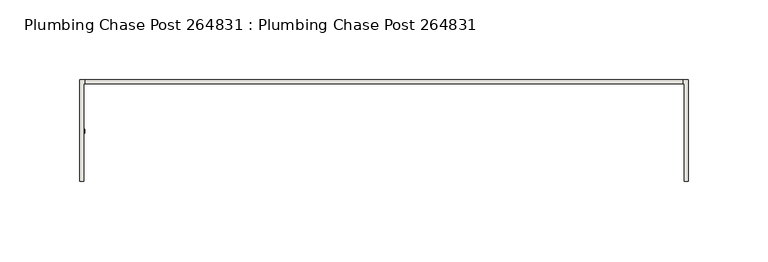
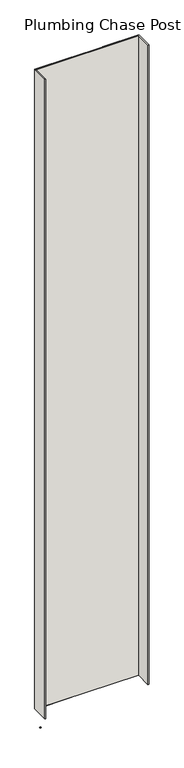
"""IFC4 building model written with IfcOpenShell, lengths in millimetres: wall geometry, Plumbing Chase Post 264831 : Plumbing Chase Post 264831."""

from ifc_helpers import new_model, si_unit, frame, origin, place, context, project, spatial, polyline, outline, extrude, source, transform, mapped, element, save


def plumbing_chase_post_264831_plumbing_chase_post_264831_55266b5c(model_context):
    return source(origin(), model_context, "Body", "SweptSolid", [
        extrude(outline(polyline([(83169.855504, -47157.7745692), (83167.315504, -47157.7745692), (83167.315504, -47155.2345692), (83169.855504, -47155.2345692), (83169.855504, -47157.7745692)])), frame((0.0, 0.0, 4419.6), z_axis=(0.0, 0.0, 1.0), x_axis=(1.0, 0.0, 0.0)), (0.0, 0.0, 1.0), 2.54),
        extrude(outline(polyline([(83170.0117648, -47124.4941176), (83545.6291492, -47124.4941176), (83545.6291492, -47127.1606096), (83170.0117648, -47127.1606096), (83170.0117648, -47124.4941176)])), frame((0.0, 0.0, 4474.8958), z_axis=(0.0, 0.0, 1.0), x_axis=(1.0, 0.0, 0.0)), (0.0, 0.0, 1.0), 2481.1482254),
        extrude(outline(polyline([(83170.0117648, -47124.4941176), (83545.6291492, -47124.4941176), (83545.6291492, -47127.1606096), (83170.0117648, -47127.1606096), (83170.0117648, -47124.4941176)])), frame((0.0, 0.0, 4474.8958), z_axis=(0.0, 0.0, 1.0), x_axis=(1.0, 0.0, 0.0)), (0.0, 0.0, 1.0), 2481.1482254),
        extrude(outline(polyline([(83166.5577204, -47124.4941176), (83299.9077204, -47124.4941176), (83299.9077204, -47127.1606096), (83169.2242124, -47127.1606096), (83169.2242124, -47188.4995014), (83166.5577204, -47188.4995014), (83166.5577204, -47124.4941176)])), frame((0.0, 0.0, 4474.8958), z_axis=(0.0, 0.0, 1.0), x_axis=(1.0, 0.0, 0.0)), (0.0, 0.0, 1.0), 2481.1482254),
        extrude(outline(polyline([(83166.5577204, -47124.4941176), (83299.9077204, -47124.4941176), (83299.9077204, -47127.1606096), (83169.2242124, -47127.1606096), (83169.2242124, -47188.4995014), (83166.5577204, -47188.4995014), (83166.5577204, -47124.4941176)])), frame((0.0, 0.0, 4474.8958), z_axis=(0.0, 0.0, 1.0), x_axis=(1.0, 0.0, 0.0)), (0.0, 0.0, 1.0), 2481.1482254),
        extrude(outline(polyline([(83415.7084032, -47127.1606096), (83415.7084032, -47124.4941176), (83549.0584032, -47124.4941176), (83549.0584032, -47188.4995014), (83546.3918858, -47188.4995014), (83546.4167016, -47127.1606096), (83415.7084032, -47127.1606096)])), frame((0.0, 0.0, 4474.8958), z_axis=(0.0, 0.0, 1.0), x_axis=(1.0, 0.0, 0.0)), (0.0, 0.0, 1.0), 2481.1482254),
        extrude(outline(polyline([(83415.7084032, -47127.1606096), (83415.7084032, -47124.4941176), (83549.0584032, -47124.4941176), (83549.0584032, -47188.4995014), (83546.3918858, -47188.4995014), (83546.4167016, -47127.1606096), (83415.7084032, -47127.1606096)])), frame((0.0, 0.0, 4474.8958), z_axis=(0.0, 0.0, 1.0), x_axis=(1.0, 0.0, 0.0)), (0.0, 0.0, 1.0), 2481.1482254),
    ])


if __name__ == "__main__":
    model = new_model("IFC4")
    model_context = context("Model", 3, world=origin())
    ifc_project = project(units=[si_unit("LENGTHUNIT", "METRE", prefix="MILLI")], contexts=[model_context])
    site = spatial("IfcSite", under=ifc_project)
    building = spatial("IfcBuilding", under=site)
    placement = place(None, origin())
    plumbing_chase_post_264831_plumbing_chase_post_264831_shape = plumbing_chase_post_264831_plumbing_chase_post_264831_55266b5c(model_context)
    element("IfcWall", 1, ObjectType="Plumbing Chase Post 264831 : Plumbing Chase Post 264831", at=placement, inside=building, context=model_context, shape_type="MappedRepresentation", body=[
        mapped(plumbing_chase_post_264831_plumbing_chase_post_264831_shape, transform((0.0, 0.0, 0.0), x_axis=(1.0, 0.0, 0.0), y_axis=(0.0, 1.0, 0.0), z_axis=(0.0, 0.0, 1.0))),
    ])
    save(model, "model.ifc")
